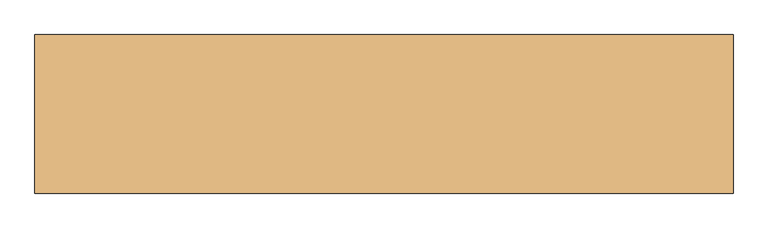
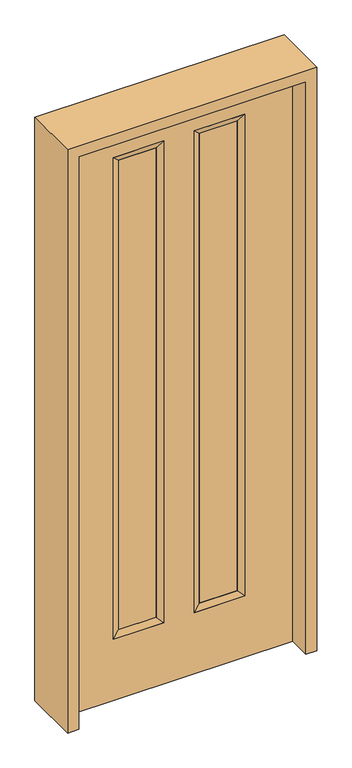
"""IFC4 building model written with IfcOpenShell, lengths in millimetres: door geometry."""

from ifc_helpers import new_model, si_unit, frame, origin, place, context, project, spatial, polyline, outline, extrude, faceted_brep, source, transform, mapped, element, save


def door_72401611(model_context):
    return source(origin(), model_context, "Body", "SolidModel", [
        faceted_brep([(264.414, 22.225, 2311.4), (239.014, 14.2875, 2286.0), (86.614, 14.2875, 2286.0), (61.214, 22.225, 2311.4), (239.014, -12.7039749, 2286.0), (86.614, -12.7039749, 2286.0), (264.414, -22.225, 2311.4), (61.214, -22.225, 2311.4), (86.614, 14.2875, 285.75), (61.214, 22.225, 260.35), (86.614, -12.7039749, 285.75), (61.214, -22.225, 260.35), (239.014, 14.2875, 285.75), (264.414, 22.225, 260.35), (239.014, -12.7039749, 285.75), (264.414, -22.225, 260.35)], [[[0, 1, 2, 3]], [[1, 4, 5, 2]], [[4, 6, 7, 5]], [[6, 0, 3, 7]], [[3, 2, 8, 9]], [[2, 5, 10, 8]], [[5, 7, 11, 10]], [[7, 3, 9, 11]], [[9, 8, 12, 13]], [[8, 10, 14, 12]], [[10, 11, 15, 14]], [[11, 9, 13, 15]], [[13, 12, 1, 0]], [[12, 14, 4, 1]], [[14, 15, 6, 4]], [[15, 13, 0, 6]]]),
        faceted_brep([(-239.014, 14.2875, 2286.0), (-264.414, 22.225, 2311.4), (-61.214, 22.225, 2311.4), (-86.614, 14.2875, 2286.0), (-239.014, -12.7039749, 2286.0), (-86.614, -12.7039749, 2286.0), (-264.414, -22.225, 2311.4), (-61.214, -22.225, 2311.4), (-61.214, 22.225, 260.35), (-86.614, 14.2875, 285.75), (-86.614, -12.7039749, 285.75), (-61.214, -22.225, 260.35), (-264.414, 22.225, 260.35), (-239.014, 14.2875, 285.75), (-239.014, -12.7039749, 285.75), (-264.414, -22.225, 260.35)], [[[0, 1, 2, 3]], [[4, 0, 3, 5]], [[6, 4, 5, 7]], [[1, 6, 7, 2]], [[3, 2, 8, 9]], [[5, 3, 9, 10]], [[7, 5, 10, 11]], [[2, 7, 11, 8]], [[9, 8, 12, 13]], [[10, 9, 13, 14]], [[11, 10, 14, 15]], [[8, 11, 15, 12]], [[13, 12, 1, 0]], [[14, 13, 0, 4]], [[15, 14, 4, 6]], [[12, 15, 6, 1]]]),
        extrude(outline(polyline([(0.0, -457.2), (0.0, 457.2), (2438.4, 457.2), (2438.4, -457.2), (0.0, -457.2)]), holes=[polyline([(260.35, -264.414), (2311.4, -264.414), (2311.4, -61.214), (260.35, -61.214), (260.35, -264.414)]), polyline([(260.35, 61.214), (2311.4, 61.214), (2311.4, 264.414), (260.35, 264.414), (260.35, 61.214)])]), frame((0.0, -22.225, 0.0), z_axis=(0.0, 1.0, 0.0), x_axis=(0.0, 0.0, 1.0)), (0.0, 0.0, 1.0), 44.45),
        extrude(outline(polyline([(-86.614, -12.7039749), (-239.014, -12.7039749), (-239.014, 14.2875), (-86.614, 14.2875), (-86.614, -12.7039749)])), frame((0.0, 0.0, 285.75), z_axis=(0.0, 0.0, 1.0), x_axis=(1.0, 0.0, 0.0)), (0.0, 0.0, 1.0), 2000.25),
        extrude(outline(polyline([(239.014, -12.7039749), (86.614, -12.7039749), (86.614, 14.2875), (239.014, 14.2875), (239.014, -12.7039749)])), frame((0.0, 0.0, 285.75), z_axis=(0.0, 0.0, 1.0), x_axis=(1.0, 0.0, 0.0)), (0.0, 0.0, 1.0), 2000.25),
        extrude(outline(polyline([(0.0, -501.65), (0.0, -457.2), (2438.4, -457.2), (2438.4, 457.2), (0.0, 457.2), (0.0, 501.65), (2482.85, 501.65), (2482.85, -501.65), (0.0, -501.65)])), frame((0.0, -114.3, 0.0), z_axis=(0.0, 1.0, 0.0), x_axis=(0.0, 0.0, 1.0)), (0.0, 0.0, 1.0), 228.6),
    ])


if __name__ == "__main__":
    model = new_model("IFC4")
    model_context = context("Model", 3, world=origin())
    ifc_project = project(units=[si_unit("LENGTHUNIT", "METRE", prefix="MILLI")], contexts=[model_context])
    site = spatial("IfcSite", under=ifc_project)
    building = spatial("IfcBuilding", under=site)
    placement = place(None, origin())
    door_shape = door_72401611(model_context)
    element("IfcDoor", 1, at=placement, inside=building, context=model_context, shape_type="MappedRepresentation", body=[
        mapped(door_shape, transform((0.0, 0.0, 0.0), x_axis=(1.0, 0.0, 0.0), y_axis=(0.0, 1.0, 0.0), z_axis=(0.0, 0.0, 1.0))),
    ])
    save(model, "model.ifc")
